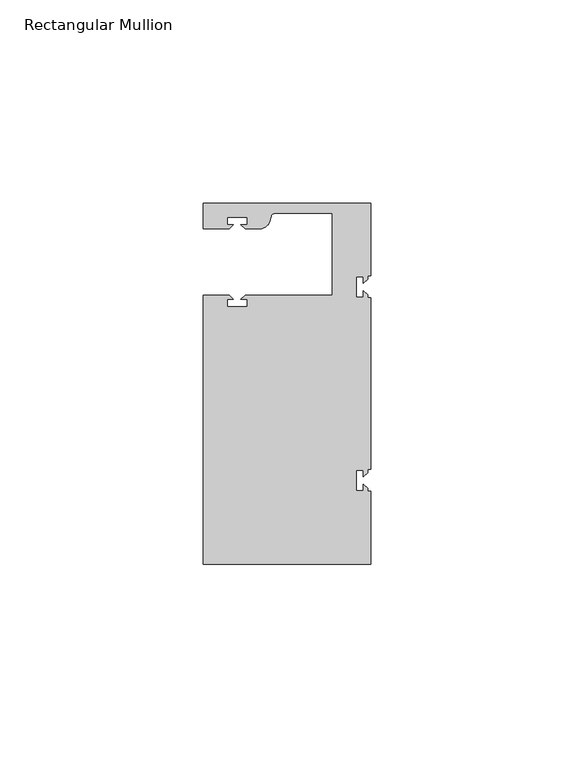
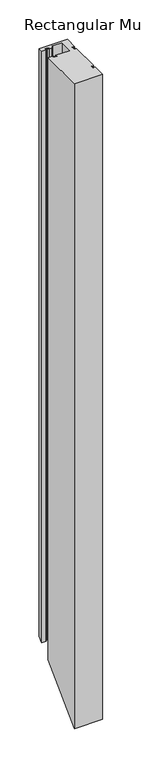
"""IFC4 building model written with IfcOpenShell, lengths in millimetres: member geometry, Rectangular Mullion."""

from ifc_helpers import new_model, si_unit, frame, origin, place, context, project, spatial, polyline, circle_curve, ellipse_curve, source, transform, mapped, element, save
from ifc_brep_helpers import plane_surface, cylinder_surface, revolved_surface, advanced_brep


def rectangular_mullion_c75b1601(model_context):
    return source(origin(), model_context, "Body", "AdvancedBrep", [
        advanced_brep(
        [(0.0, 44.45, 0.0), (-41.2749977, 44.45, 0.0), (-41.2749977, 38.1499897, 0.0), (-34.8007531, 38.1499897, 0.0), (-33.8007405, 39.1500023, 0.0), (-35.3749778, 39.1500023, 0.0), (-35.3749778, 40.9498819, 0.0), (-30.3749831, 40.9498819, 0.0), (-30.3749831, 39.1500023, 0.0), (-31.949256, 39.1500023, 0.0), (-30.9492503, 38.1499966, 0.0), (-27.2637853, 38.1499966, 0.0), (-24.8489707, 40.002949, 0.0), (-24.5258588, 41.2088192, 0.0), (-23.5599329, 41.9500001, 0.0), (-9.525, 41.95, 0.0), (-9.525, 21.7499959, 0.0), (-30.9492434, 21.7499959, 0.0), (-31.949256, 20.7499834, 0.0), (-30.3750186, 20.7499834, 0.0), (-30.3750186, 18.949936, 0.0), (-35.3750134, 18.949936, 0.0), (-35.3750134, 20.7499834, 0.0), (-33.8007405, 20.7499834, 0.0), (-34.8007562, 21.749999, 0.0), (-41.275, 21.749999, 0.0), (-41.275, -44.45, 0.0), (0.0, -44.45, 0.0), (0.0, -26.5319902, 0.0), (-0.79375, -26.5319902, 0.0), (-0.79375, -25.7382757, 0.0), (-1.7937657, -24.73826, 0.0), (-1.7937657, -26.3124974, 0.0), (-3.5938131, -26.3124974, 0.0), (-3.5938131, -21.3125026, 0.0), (-1.7937657, -21.3125026, 0.0), (-1.7937657, -22.8867755, 0.0), (-0.79375, -21.8867598, 0.0), (-0.79375, -21.0930098, 0.0), (0.0, -21.0930098, 0.0), (0.0, 21.0930098, 0.0), (-0.79375, 21.0930098, 0.0), (-0.79375, 21.8867243, 0.0), (-1.7937657, 22.88674, 0.0), (-1.7937657, 21.3125026, 0.0), (-3.5938131, 21.3125026, 0.0), (-3.5938131, 26.3124974, 0.0), (-1.7937657, 26.3124974, 0.0), (-1.7937657, 24.7382245, 0.0), (-0.79375, 25.7382402, 0.0), (-0.79375, 26.5319902, 0.0), (0.0, 26.5319902, 0.0), (0.0, 44.45, -908.05), (-41.2749977, 44.45, -908.05), (-41.2749977, 38.1499897, -914.3500103), (-34.8007531, 38.1499897, -914.3500103), (-33.8007405, 39.1500023, -913.3499977), (-35.3749778, 39.1500023, -913.3499977), (-35.3749778, 40.9498819, -911.5501181), (-30.3749831, 40.9498819, -911.5501181), (-30.3749831, 39.1500023, -913.3499977), (-31.949256, 39.1500023, -913.3499977), (-30.9492503, 38.1499966, -914.3500034), (-27.2637853, 38.1499966, -914.3500034), (-24.8489707, 40.002949, -912.497051), (-24.5258588, 41.2088192, -911.2911808), (-23.5599329, 41.9500001, -910.5499999), (-9.525, 41.95, -910.55), (-9.525, 21.7499959, -930.7500041), (-30.9492434, 21.7499959, -930.7500041), (-31.949256, 20.7499834, -931.7500166), (-30.3750186, 20.7499834, -931.7500166), (-30.3750186, 18.949936, -933.550064), (-35.3750134, 18.949936, -933.550064), (-35.3750134, 20.7499834, -931.7500166), (-33.8007405, 20.7499834, -931.7500166), (-34.8007562, 21.749999, -930.750001), (-41.275, 21.749999, -930.750001), (-41.275, -44.45, -996.95), (0.0, -44.45, -996.95), (0.0, -26.5319902, -979.0319902), (-0.79375, -26.5319902, -979.0319902), (-0.79375, -25.7382757, -978.2382757), (-1.7937657, -24.73826, -977.23826), (-1.7937657, -26.3124974, -978.8124974), (-3.5938131, -26.3124974, -978.8124974), (-3.5938131, -21.3125026, -973.8125026), (-1.7937657, -21.3125026, -973.8125026), (-1.7937657, -22.8867755, -975.3867755), (-0.79375, -21.8867598, -974.3867598), (-0.79375, -21.0930098, -973.5930098), (0.0, -21.0930098, -973.5930098), (0.0, 21.0930098, -931.4069902), (-0.79375, 21.0930098, -931.4069902), (-0.79375, 21.8867243, -930.6132757), (-1.7937657, 22.88674, -929.61326), (-1.7937657, 21.3125026, -931.1874974), (-3.5938131, 21.3125026, -931.1874974), (-3.5938131, 26.3124974, -926.1875026), (-1.7937657, 26.3124974, -926.1875026), (-1.7937657, 24.7382245, -927.7617755), (-0.79375, 25.7382402, -926.7617598), (-0.79375, 26.5319902, -925.9680098), (0.0, 26.5319902, -925.9680098)],
        [
            (0, 1),
            (1, 2),
            (2, 3),
            (3, 4),
            (4, 5),
            (5, 6),
            (6, 7),
            (7, 8),
            (8, 9),
            (9, 10),
            (10, 11),
            (11, 12, circle_curve(frame((-27.2637853, 40.6499966, 0.0), z_axis=(0.0, 0.0, 1.0), x_axis=(0.0, -1.0, 0.0)), 2.5)),
            (12, 13),
            (13, 14, circle_curve(frame((-23.5599329, 40.9500001, 0.0), z_axis=(0.0, 0.0, -1.0), x_axis=(0.0, -1.0, 0.0)), 1.0)),
            (14, 15),
            (15, 16),
            (16, 17),
            (17, 18),
            (18, 19),
            (19, 20),
            (20, 21),
            (21, 22),
            (22, 23),
            (23, 24),
            (24, 25),
            (25, 26),
            (26, 27),
            (27, 28),
            (28, 29),
            (29, 30),
            (30, 31),
            (31, 32),
            (32, 33),
            (33, 34),
            (34, 35),
            (35, 36),
            (36, 37),
            (37, 38),
            (38, 39),
            (39, 40),
            (40, 41),
            (41, 42),
            (42, 43),
            (43, 44),
            (44, 45),
            (45, 46),
            (46, 47),
            (47, 48),
            (48, 49),
            (49, 50),
            (50, 51),
            (51, 0),
            (0, 52),
            (52, 53),
            (53, 1),
            (53, 54),
            (54, 2),
            (54, 55),
            (55, 3),
            (55, 56),
            (56, 4),
            (56, 57),
            (57, 5),
            (57, 58),
            (58, 6),
            (58, 59),
            (59, 7),
            (59, 60),
            (60, 8),
            (60, 61),
            (61, 9),
            (61, 62),
            (62, 10),
            (62, 63),
            (63, 11),
            (63, 64, ellipse_curve(frame((-27.2637853, 40.6499966, -911.8500034), z_axis=(0.0, -0.7071067811865475, 0.7071067811865476), x_axis=(0.0, 0.7071067811865476, 0.7071067811865476)), 3.5355339, 2.5)),
            (64, 12),
            (64, 65),
            (65, 13),
            (65, 66, ellipse_curve(frame((-23.5599329, 40.9500001, -911.5499999), z_axis=(0.0, 0.7071067811865475, -0.7071067811865476), x_axis=(0.0, -0.7071067811865476, -0.7071067811865476)), 1.4142136, 1.0)),
            (66, 14),
            (66, 67),
            (67, 15),
            (67, 68),
            (68, 16),
            (68, 69),
            (69, 17),
            (69, 70),
            (70, 18),
            (70, 71),
            (71, 19),
            (71, 72),
            (72, 20),
            (72, 73),
            (73, 21),
            (73, 74),
            (74, 22),
            (74, 75),
            (75, 23),
            (75, 76),
            (76, 24),
            (76, 77),
            (77, 25),
            (77, 78),
            (78, 26),
            (78, 79),
            (79, 27),
            (79, 80),
            (80, 28),
            (80, 81),
            (81, 29),
            (81, 82),
            (82, 30),
            (82, 83),
            (83, 31),
            (83, 84),
            (84, 32),
            (84, 85),
            (85, 33),
            (85, 86),
            (86, 34),
            (86, 87),
            (87, 35),
            (87, 88),
            (88, 36),
            (88, 89),
            (89, 37),
            (89, 90),
            (90, 38),
            (90, 91),
            (91, 39),
            (91, 92),
            (92, 40),
            (92, 93),
            (93, 41),
            (93, 94),
            (94, 42),
            (94, 95),
            (95, 43),
            (95, 96),
            (96, 44),
            (96, 97),
            (97, 45),
            (97, 98),
            (98, 46),
            (98, 99),
            (99, 47),
            (99, 100),
            (100, 48),
            (100, 101),
            (101, 49),
            (101, 102),
            (102, 50),
            (102, 103),
            (103, 51),
            (103, 52),
        ],
        [
            plane_surface(frame((0.0, -60.6582898, 0.0), z_axis=(0.0, 0.0, 1.0), x_axis=(-1.0, 0.0, 0.0))),
            plane_surface(frame((0.0, 44.45, 0.0), z_axis=(0.0, 1.0, 0.0), x_axis=(0.0, 0.0, -1.0))),
            plane_surface(frame((-41.2749977, 44.45, 0.0), z_axis=(-1.0, 0.0, 0.0), x_axis=(0.0, 0.0, -1.0))),
            plane_surface(frame((-41.2749977, 38.1499897, 0.0), z_axis=(0.0, -1.0, 0.0), x_axis=(0.0, 0.0, -1.0))),
            plane_surface(frame((-34.8007531, 38.1499897, 0.0), z_axis=(0.7071067811865492, -0.7071067811865459, 0.0), x_axis=(0.0, 0.0, -1.0))),
            plane_surface(frame((-33.8007405, 39.1500023, 0.0), z_axis=(0.0, 1.0, 0.0), x_axis=(0.0, 0.0, -1.0))),
            plane_surface(frame((-35.3749778, 39.1500023, 0.0), z_axis=(1.0, 0.0, 0.0), x_axis=(0.0, 0.0, -1.0))),
            plane_surface(frame((-35.3749778, 40.9498819, 0.0), z_axis=(0.0, -1.0, 0.0), x_axis=(0.0, 0.0, -1.0))),
            plane_surface(frame((-30.3749831, 40.9498819, 0.0), z_axis=(-1.0, 0.0, 0.0), x_axis=(0.0, 0.0, -1.0))),
            plane_surface(frame((-30.3749831, 39.1500023, 0.0), z_axis=(0.0, 1.0, 0.0), x_axis=(0.0, 0.0, -1.0))),
            plane_surface(frame((-31.949256, 39.1500023, 0.0), z_axis=(-0.7071067811865469, -0.7071067811865481, 0.0), x_axis=(0.0, 0.0, -1.0))),
            plane_surface(frame((-30.9492503, 38.1499966, 0.0), z_axis=(0.0, -1.0, 0.0), x_axis=(0.0, 0.0, -1.0))),
            cylinder_surface(frame((-27.2637853, 40.6499966, 0.0), z_axis=(0.0, 0.0, 1.0), x_axis=(0.0, -1.0, 0.0)), 2.5),
            plane_surface(frame((-24.8489707, 40.002949, 0.0), z_axis=(0.965925826289163, -0.2588190451021675, 0.0), x_axis=(0.0, 0.0, -1.0))),
            revolved_surface(polyline([(-23.5599329, 39.9500001, -912.5499999266062), (-23.5599329, 39.9500001, 0.0)]), (-23.5599329, 40.9500001, 0.0), (0.0, 0.0, -1.0)),
            plane_surface(frame((-23.5599329, 41.95, 0.0), z_axis=(0.0, -1.0, 0.0), x_axis=(0.0, 0.0, -1.0))),
            plane_surface(frame((-9.525, 41.95, 0.0), z_axis=(-1.0, 0.0, 0.0), x_axis=(0.0, 0.0, -1.0))),
            plane_surface(frame((-9.525, 21.7499959, 0.0), z_axis=(0.0, 1.0, 0.0), x_axis=(0.0, 0.0, -1.0))),
            plane_surface(frame((-30.9492434, 21.7499959, 0.0), z_axis=(-0.7071067811865492, 0.7071067811865459, 0.0), x_axis=(0.0, 0.0, -1.0))),
            plane_surface(frame((-31.949256, 20.7499834, 0.0), z_axis=(0.0, -1.0, 0.0), x_axis=(0.0, 0.0, -1.0))),
            plane_surface(frame((-30.3750186, 20.7499834, 0.0), z_axis=(-1.0, 0.0, 0.0), x_axis=(0.0, 0.0, -1.0))),
            plane_surface(frame((-30.3750186, 18.949936, 0.0), z_axis=(0.0, 1.0, 0.0), x_axis=(0.0, 0.0, -1.0))),
            plane_surface(frame((-35.3750134, 18.949936, 0.0), z_axis=(1.0, 0.0, 0.0), x_axis=(0.0, 0.0, -1.0))),
            plane_surface(frame((-35.3750134, 20.7499834, 0.0), z_axis=(0.0, -1.0, 0.0), x_axis=(0.0, 0.0, -1.0))),
            plane_surface(frame((-33.8007405, 20.7499834, 0.0), z_axis=(0.7071067811865472, 0.7071067811865479, 0.0), x_axis=(0.0, 0.0, -1.0))),
            plane_surface(frame((-34.8007562, 21.749999, 0.0), z_axis=(0.0, 1.0, 0.0), x_axis=(0.0, 0.0, -1.0))),
            plane_surface(frame((-41.275, 21.749999, 0.0), z_axis=(-1.0, 0.0, 0.0), x_axis=(0.0, 0.0, -1.0))),
            plane_surface(frame((-41.275, -44.45, 0.0), z_axis=(0.0, -1.0, 0.0), x_axis=(0.0, 0.0, -1.0))),
            plane_surface(frame((0.0, -44.45, 0.0), z_axis=(1.0, 0.0, 0.0), x_axis=(0.0, 0.0, -1.0))),
            plane_surface(frame((0.0, -26.5319902, 0.0), z_axis=(0.0, 1.0, 0.0), x_axis=(0.0, 0.0, -1.0))),
            plane_surface(frame((-0.79375, -26.5319902, 0.0), z_axis=(1.0, 0.0, 0.0), x_axis=(0.0, 0.0, -1.0))),
            plane_surface(frame((-0.79375, -25.7382757, 0.0), z_axis=(0.7071067811865416, 0.7071067811865536, 0.0), x_axis=(0.0, 0.0, -1.0))),
            plane_surface(frame((-1.7937657, -24.73826, 0.0), z_axis=(-1.0, 0.0, 0.0), x_axis=(0.0, 0.0, -1.0))),
            plane_surface(frame((-1.7937657, -26.3124974, 0.0), z_axis=(0.0, 1.0, 0.0), x_axis=(0.0, 0.0, -1.0))),
            plane_surface(frame((-3.5938131, -26.3124974, 0.0), z_axis=(1.0, 0.0, 0.0), x_axis=(0.0, 0.0, -1.0))),
            plane_surface(frame((-3.5938131, -21.3125026, 0.0), z_axis=(0.0, -1.0, 0.0), x_axis=(0.0, 0.0, -1.0))),
            plane_surface(frame((-1.7937657, -21.3125026, 0.0), z_axis=(-1.0, 0.0, 0.0), x_axis=(0.0, 0.0, -1.0))),
            plane_surface(frame((-1.7937657, -22.8867755, 0.0), z_axis=(0.7071067811865522, -0.7071067811865429, 0.0), x_axis=(0.0, 0.0, -1.0))),
            plane_surface(frame((-0.79375, -21.8867598, 0.0), z_axis=(1.0, 0.0, 0.0), x_axis=(0.0, 0.0, -1.0))),
            plane_surface(frame((-0.79375, -21.0930098, 0.0), z_axis=(0.0, -1.0, 0.0), x_axis=(0.0, 0.0, -1.0))),
            plane_surface(frame((0.0, -21.0930098, 0.0), z_axis=(1.0, 0.0, 0.0), x_axis=(0.0, 0.0, -1.0))),
            plane_surface(frame((0.0, 21.0930098, 0.0), z_axis=(0.0, 1.0, 0.0), x_axis=(0.0, 0.0, -1.0))),
            plane_surface(frame((-0.79375, 21.0930098, 0.0), z_axis=(1.0, 0.0, 0.0), x_axis=(0.0, 0.0, -1.0))),
            plane_surface(frame((-0.79375, 21.8867243, 0.0), z_axis=(0.7071067811865416, 0.7071067811865536, 0.0), x_axis=(0.0, 0.0, -1.0))),
            plane_surface(frame((-1.7937657, 22.88674, 0.0), z_axis=(-1.0, 0.0, 0.0), x_axis=(0.0, 0.0, -1.0))),
            plane_surface(frame((-1.7937657, 21.3125026, 0.0), z_axis=(0.0, 1.0, 0.0), x_axis=(0.0, 0.0, -1.0))),
            plane_surface(frame((-3.5938131, 21.3125026, 0.0), z_axis=(1.0, 0.0, 0.0), x_axis=(0.0, 0.0, -1.0))),
            plane_surface(frame((-3.5938131, 26.3124974, 0.0), z_axis=(0.0, -1.0, 0.0), x_axis=(0.0, 0.0, -1.0))),
            plane_surface(frame((-1.7937657, 26.3124974, 0.0), z_axis=(-1.0, 0.0, 0.0), x_axis=(0.0, 0.0, -1.0))),
            plane_surface(frame((-1.7937657, 24.7382245, 0.0), z_axis=(0.7071067811865522, -0.7071067811865429, 0.0), x_axis=(0.0, 0.0, -1.0))),
            plane_surface(frame((-0.79375, 25.7382402, 0.0), z_axis=(1.0, 0.0, 0.0), x_axis=(0.0, 0.0, -1.0))),
            plane_surface(frame((-0.79375, 26.5319902, 0.0), z_axis=(0.0, -1.0, 0.0), x_axis=(0.0, 0.0, -1.0))),
            plane_surface(frame((0.0, 26.5319902, 0.0), z_axis=(1.0, 0.0, 0.0), x_axis=(0.0, 0.0, -1.0))),
            plane_surface(frame((-304.8, 0.0, -952.5), z_axis=(0.0, 0.7071067811865475, -0.7071067811865476), x_axis=(0.0, 0.7071067811865476, 0.7071067811865475))),
        ],
        [
            (0, [[1, 2, 3, 4, 5, 6, 7, 8, 9, 10, 11, 12, 13, 14, 15, 16, 17, 18, 19, 20, 21, 22, 23, 24, 25, 26, 27, 28, 29, 30, 31, 32, 33, 34, 35, 36, 37, 38, 39, 40, 41, 42, 43, 44, 45, 46, 47, 48, 49, 50, 51, 52]]),
            (1, [[-1, 53, 54, 55]]),
            (2, [[-2, -55, 56, 57]]),
            (3, [[-3, -57, 58, 59]]),
            (4, [[-4, -59, 60, 61]]),
            (5, [[-5, -61, 62, 63]]),
            (6, [[-6, -63, 64, 65]]),
            (7, [[-7, -65, 66, 67]]),
            (8, [[-8, -67, 68, 69]]),
            (9, [[-9, -69, 70, 71]]),
            (10, [[-10, -71, 72, 73]]),
            (11, [[-11, -73, 74, 75]]),
            (12, [[-12, -75, 76, 77]]),
            (13, [[-13, -77, 78, 79]]),
            (14, [[-14, -79, 80, 81]]),
            (15, [[-15, -81, 82, 83]]),
            (16, [[-16, -83, 84, 85]]),
            (17, [[-17, -85, 86, 87]]),
            (18, [[-18, -87, 88, 89]]),
            (19, [[-19, -89, 90, 91]]),
            (20, [[-20, -91, 92, 93]]),
            (21, [[-21, -93, 94, 95]]),
            (22, [[-22, -95, 96, 97]]),
            (23, [[-23, -97, 98, 99]]),
            (24, [[-24, -99, 100, 101]]),
            (25, [[-25, -101, 102, 103]]),
            (26, [[-26, -103, 104, 105]]),
            (27, [[-27, -105, 106, 107]]),
            (28, [[-28, -107, 108, 109]]),
            (29, [[-29, -109, 110, 111]]),
            (30, [[-30, -111, 112, 113]]),
            (31, [[-31, -113, 114, 115]]),
            (32, [[-32, -115, 116, 117]]),
            (33, [[-33, -117, 118, 119]]),
            (34, [[-34, -119, 120, 121]]),
            (35, [[-35, -121, 122, 123]]),
            (36, [[-36, -123, 124, 125]]),
            (37, [[-37, -125, 126, 127]]),
            (38, [[-38, -127, 128, 129]]),
            (39, [[-39, -129, 130, 131]]),
            (40, [[-40, -131, 132, 133]]),
            (41, [[-41, -133, 134, 135]]),
            (42, [[-42, -135, 136, 137]]),
            (43, [[-43, -137, 138, 139]]),
            (44, [[-44, -139, 140, 141]]),
            (45, [[-45, -141, 142, 143]]),
            (46, [[-46, -143, 144, 145]]),
            (47, [[-47, -145, 146, 147]]),
            (48, [[-48, -147, 148, 149]]),
            (49, [[-49, -149, 150, 151]]),
            (50, [[-50, -151, 152, 153]]),
            (51, [[-51, -153, 154, 155]]),
            (52, [[-52, -155, 156, -53]]),
            (53, [[-156, -154, -152, -150, -148, -146, -144, -142, -140, -138, -136, -134, -132, -130, -128, -126, -124, -122, -120, -118, -116, -114, -112, -110, -108, -106, -104, -102, -100, -98, -96, -94, -92, -90, -88, -86, -84, -82, -80, -78, -76, -74, -72, -70, -68, -66, -64, -62, -60, -58, -56, -54]]),
        ],
    ),
    ])


if __name__ == "__main__":
    model = new_model("IFC4")
    model_context = context("Model", 3, world=origin())
    ifc_project = project(units=[si_unit("LENGTHUNIT", "METRE", prefix="MILLI")], contexts=[model_context])
    site = spatial("IfcSite", under=ifc_project)
    building = spatial("IfcBuilding", under=site)
    placement = place(None, origin())
    rectangular_mullion_shape = rectangular_mullion_c75b1601(model_context)
    element("IfcMember", 1, ObjectType="Rectangular Mullion", at=placement, inside=building, context=model_context, shape_type="MappedRepresentation", body=[
        mapped(rectangular_mullion_shape, transform((0.0, 0.0, 0.0), x_axis=(1.0, 0.0, 0.0), y_axis=(0.0, 1.0, 0.0), z_axis=(0.0, 0.0, 1.0))),
    ])
    save(model, "model.ifc")
